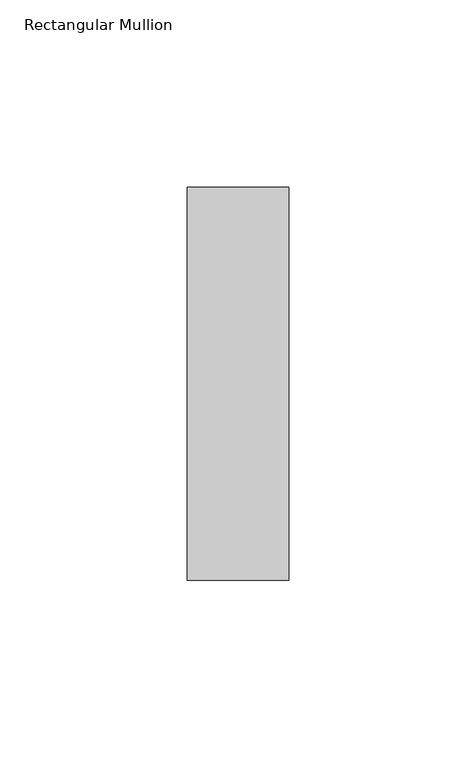
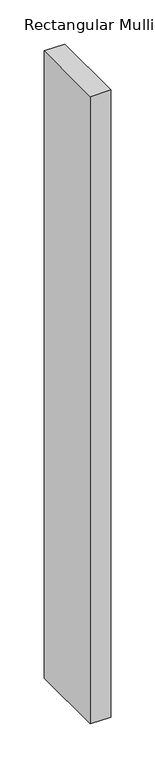
"""IFC4 building model written with IfcOpenShell, lengths in millimetres: member geometry, Rectangular Mullion."""

from ifc_helpers import new_model, si_unit, frame, origin, place, context, project, spatial, polyline, outline, extrude, source, transform, mapped, element, save


def rectangular_mullion_cda71472(model_context):
    return source(origin(), model_context, "Body", "SweptSolid", [
        extrude(outline(polyline([(-27.0, 52.3975), (0.0, 52.3975), (0.0, -52.3975), (-27.0, -52.3975), (-27.0, 52.3975)])), frame((0.0, 0.0, -869.8333333), z_axis=(0.0, 0.0, 1.0), x_axis=(1.0, 0.0, 0.0)), (0.0, 0.0, 1.0), 869.8333333),
    ])


if __name__ == "__main__":
    model = new_model("IFC4")
    model_context = context("Model", 3, world=origin())
    ifc_project = project(units=[si_unit("LENGTHUNIT", "METRE", prefix="MILLI")], contexts=[model_context])
    site = spatial("IfcSite", under=ifc_project)
    building = spatial("IfcBuilding", under=site)
    placement = place(None, origin())
    rectangular_mullion_shape = rectangular_mullion_cda71472(model_context)
    element("IfcMember", 1, ObjectType="Rectangular Mullion", at=placement, inside=building, context=model_context, shape_type="MappedRepresentation", body=[
        mapped(rectangular_mullion_shape, transform((0.0, 0.0, 0.0), x_axis=(1.0, 0.0, 0.0), y_axis=(0.0, 1.0, 0.0), z_axis=(0.0, 0.0, 1.0))),
    ])
    save(model, "model.ifc")
